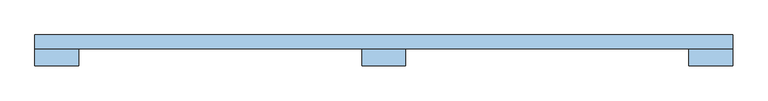
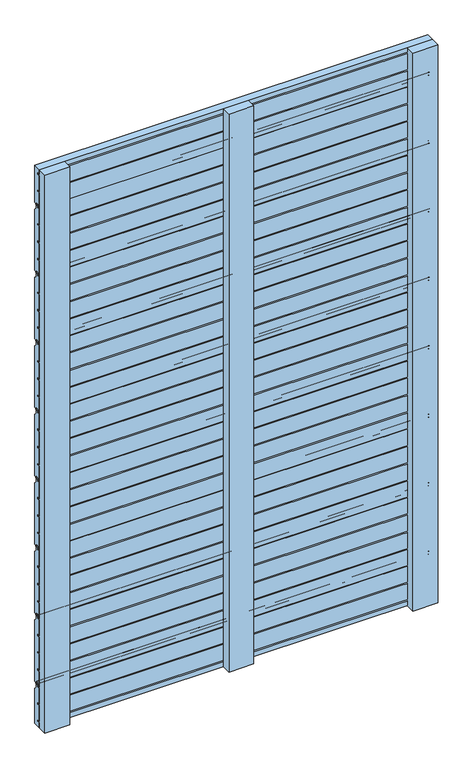
"""IFC4 building model written with IfcOpenShell, lengths in millimetres: window geometry."""

from ifc_helpers import new_model, si_unit, point, frame, frame_2d, origin, place, context, project, spatial, polyline, circle_curve, trimmed, segment, composite_curve, outline, extrude, source, transform, mapped, element, save


def window_07ca0ef8(model_context):
    return source(origin(), model_context, "Body", "SweptSolid", [
        extrude(outline(composite_curve([segment(trimmed(circle_curve(frame_2d((35.5, 208.9478782)), 1.0), [point((36.5, 208.9478782))], [point((35.5, 207.9478782))], False, "CARTESIAN"), True, "CONTINUOUS"), segment(polyline([(35.5, 207.9478782), (30.5, 207.9478782), (30.5, 250.3167895), (36.5, 250.3167895), (36.5, 253.8167895), (30.5, 253.8167895), (30.5, 296.8778597), (36.5, 296.8778597), (36.5, 300.3778597), (30.5, 300.3778597), (30.5, 343.4389298), (36.5, 343.4389298), (36.5, 346.9389298), (30.5, 346.9389298), (30.5, 390.0), (37.0, 390.0), (37.0, 396.5)]), True, "CONTINUOUS"), segment(trimmed(circle_curve(frame_2d((38.5, 396.5)), 1.5), [point((37.0, 396.5))], [point((38.5, 398.0))], False, "CARTESIAN"), True, "CONTINUOUS"), segment(polyline([(38.5, 398.0), (41.5, 398.0)]), True, "CONTINUOUS"), segment(trimmed(circle_curve(frame_2d((41.5, 396.5)), 1.5), [point((41.5, 398.0))], [point((43.0, 396.5))], False, "CARTESIAN"), True, "CONTINUOUS"), segment(polyline([(43.0, 396.5), (43.0, 385.4142136)]), True, "CONTINUOUS"), segment(trimmed(circle_curve(frame_2d((44.0, 385.4142136)), 1.0), [point((43.0, 385.4142136))], [point((43.2928932, 384.7071068))], True, "CARTESIAN"), True, "CONTINUOUS"), segment(polyline([(43.2928932, 384.7071068), (49.5606602, 378.4393398)]), True, "CONTINUOUS"), segment(trimmed(circle_curve(frame_2d((48.5, 377.3786797)), 1.5), [point((49.5606602, 378.4393398))], [point((50.0, 377.3786797))], False, "CARTESIAN"), True, "CONTINUOUS"), segment(polyline([(50.0, 377.3786797), (50.0, 214.154985)]), True, "CONTINUOUS"), segment(trimmed(circle_curve(frame_2d((48.5, 214.154985)), 1.5), [point((50.0, 214.154985))], [point((49.5606602, 213.0943248))], False, "CARTESIAN"), True, "CONTINUOUS"), segment(polyline([(49.5606602, 213.0943248), (44.7071068, 208.2407714)]), True, "CONTINUOUS"), segment(trimmed(circle_curve(frame_2d((44.0, 208.9478782)), 1.0), [point((44.7071068, 208.2407714))], [point((43.0, 208.9478782))], False, "CARTESIAN"), True, "CONTINUOUS"), segment(polyline([(43.0, 208.9478782), (43.0, 215.4478782)]), True, "CONTINUOUS"), segment(trimmed(circle_curve(frame_2d((41.5, 215.4478782)), 1.5), [point((43.0, 215.4478782))], [point((41.5, 216.9478782))], True, "CARTESIAN"), True, "CONTINUOUS"), segment(polyline([(41.5, 216.9478782), (38.0, 216.9478782)]), True, "CONTINUOUS"), segment(trimmed(circle_curve(frame_2d((38.0, 215.4478782)), 1.5), [point((38.0, 216.9478782))], [point((36.5, 215.4478782))], True, "CARTESIAN"), True, "CONTINUOUS"), segment(polyline([(36.5, 215.4478782), (36.5, 208.9478782)]), True, "CONTINUOUS")], self_intersect=False)), frame((-500.0, 0.0, 0.0), z_axis=(1.0, 0.0, 0.0), x_axis=(0.0, 1.0, 0.0)), (0.0, 0.0, 1.0), 1000.0),
        extrude(outline(composite_curve([segment(trimmed(circle_curve(frame_2d((35.5, 392.9478782)), 1.0), [point((36.5, 392.9478782))], [point((35.5, 391.9478782))], False, "CARTESIAN"), True, "CONTINUOUS"), segment(polyline([(35.5, 391.9478782), (30.5, 391.9478782), (30.5, 434.3167895), (36.5, 434.3167895), (36.5, 437.8167895), (30.5, 437.8167895), (30.5, 480.8778597), (36.5, 480.8778597), (36.5, 484.3778597), (30.5, 484.3778597), (30.5, 527.4389298), (36.5, 527.4389298), (36.5, 530.9389298), (30.5, 530.9389298), (30.5, 574.0), (37.0, 574.0), (37.0, 580.5)]), True, "CONTINUOUS"), segment(trimmed(circle_curve(frame_2d((38.5, 580.5)), 1.5), [point((37.0, 580.5))], [point((38.5, 582.0))], False, "CARTESIAN"), True, "CONTINUOUS"), segment(polyline([(38.5, 582.0), (41.5, 582.0)]), True, "CONTINUOUS"), segment(trimmed(circle_curve(frame_2d((41.5, 580.5)), 1.5), [point((41.5, 582.0))], [point((43.0, 580.5))], False, "CARTESIAN"), True, "CONTINUOUS"), segment(polyline([(43.0, 580.5), (43.0, 569.4142136)]), True, "CONTINUOUS"), segment(trimmed(circle_curve(frame_2d((44.0, 569.4142136)), 1.0), [point((43.0, 569.4142136))], [point((43.2928932, 568.7071068))], True, "CARTESIAN"), True, "CONTINUOUS"), segment(polyline([(43.2928932, 568.7071068), (49.5606602, 562.4393398)]), True, "CONTINUOUS"), segment(trimmed(circle_curve(frame_2d((48.5, 561.3786797)), 1.5), [point((49.5606602, 562.4393398))], [point((50.0, 561.3786797))], False, "CARTESIAN"), True, "CONTINUOUS"), segment(polyline([(50.0, 561.3786797), (50.0, 398.154985)]), True, "CONTINUOUS"), segment(trimmed(circle_curve(frame_2d((48.5, 398.154985)), 1.5), [point((50.0, 398.154985))], [point((49.5606602, 397.0943248))], False, "CARTESIAN"), True, "CONTINUOUS"), segment(polyline([(49.5606602, 397.0943248), (44.7071068, 392.2407714)]), True, "CONTINUOUS"), segment(trimmed(circle_curve(frame_2d((44.0, 392.9478782)), 1.0), [point((44.7071068, 392.2407714))], [point((43.0, 392.9478782))], False, "CARTESIAN"), True, "CONTINUOUS"), segment(polyline([(43.0, 392.9478782), (43.0, 399.4478782)]), True, "CONTINUOUS"), segment(trimmed(circle_curve(frame_2d((41.5, 399.4478782)), 1.5), [point((43.0, 399.4478782))], [point((41.5, 400.9478782))], True, "CARTESIAN"), True, "CONTINUOUS"), segment(polyline([(41.5, 400.9478782), (38.0, 400.9478782)]), True, "CONTINUOUS"), segment(trimmed(circle_curve(frame_2d((38.0, 399.4478782)), 1.5), [point((38.0, 400.9478782))], [point((36.5, 399.4478782))], True, "CARTESIAN"), True, "CONTINUOUS"), segment(polyline([(36.5, 399.4478782), (36.5, 392.9478782)]), True, "CONTINUOUS")], self_intersect=False)), frame((-500.0, 0.0, 0.0), z_axis=(1.0, 0.0, 0.0), x_axis=(0.0, 1.0, 0.0)), (0.0, 0.0, 1.0), 1000.0),
        extrude(outline(composite_curve([segment(trimmed(circle_curve(frame_2d((35.5, 576.9478782)), 1.0), [point((36.5, 576.9478782))], [point((35.5, 575.9478782))], False, "CARTESIAN"), True, "CONTINUOUS"), segment(polyline([(35.5, 575.9478782), (30.5, 575.9478782), (30.5, 618.3167895), (36.5, 618.3167895), (36.5, 621.8167895), (30.5, 621.8167895), (30.5, 664.8778597), (36.5, 664.8778597), (36.5, 668.3778597), (30.5, 668.3778597), (30.5, 711.4389298), (36.5, 711.4389298), (36.5, 714.9389298), (30.5, 714.9389298), (30.5, 758.0), (37.0, 758.0), (37.0, 764.5)]), True, "CONTINUOUS"), segment(trimmed(circle_curve(frame_2d((38.5, 764.5)), 1.5), [point((37.0, 764.5))], [point((38.5, 766.0))], False, "CARTESIAN"), True, "CONTINUOUS"), segment(polyline([(38.5, 766.0), (41.5, 766.0)]), True, "CONTINUOUS"), segment(trimmed(circle_curve(frame_2d((41.5, 764.5)), 1.5), [point((41.5, 766.0))], [point((43.0, 764.5))], False, "CARTESIAN"), True, "CONTINUOUS"), segment(polyline([(43.0, 764.5), (43.0, 753.4142136)]), True, "CONTINUOUS"), segment(trimmed(circle_curve(frame_2d((44.0, 753.4142136)), 1.0), [point((43.0, 753.4142136))], [point((43.2928932, 752.7071068))], True, "CARTESIAN"), True, "CONTINUOUS"), segment(polyline([(43.2928932, 752.7071068), (49.5606602, 746.4393398)]), True, "CONTINUOUS"), segment(trimmed(circle_curve(frame_2d((48.5, 745.3786797)), 1.5), [point((49.5606602, 746.4393398))], [point((50.0, 745.3786797))], False, "CARTESIAN"), True, "CONTINUOUS"), segment(polyline([(50.0, 745.3786797), (50.0, 582.154985)]), True, "CONTINUOUS"), segment(trimmed(circle_curve(frame_2d((48.5, 582.154985)), 1.5), [point((50.0, 582.154985))], [point((49.5606602, 581.0943248))], False, "CARTESIAN"), True, "CONTINUOUS"), segment(polyline([(49.5606602, 581.0943248), (44.7071068, 576.2407714)]), True, "CONTINUOUS"), segment(trimmed(circle_curve(frame_2d((44.0, 576.9478782)), 1.0), [point((44.7071068, 576.2407714))], [point((43.0, 576.9478782))], False, "CARTESIAN"), True, "CONTINUOUS"), segment(polyline([(43.0, 576.9478782), (43.0, 583.4478782)]), True, "CONTINUOUS"), segment(trimmed(circle_curve(frame_2d((41.5, 583.4478782)), 1.5), [point((43.0, 583.4478782))], [point((41.5, 584.9478782))], True, "CARTESIAN"), True, "CONTINUOUS"), segment(polyline([(41.5, 584.9478782), (38.0, 584.9478782)]), True, "CONTINUOUS"), segment(trimmed(circle_curve(frame_2d((38.0, 583.4478782)), 1.5), [point((38.0, 584.9478782))], [point((36.5, 583.4478782))], True, "CARTESIAN"), True, "CONTINUOUS"), segment(polyline([(36.5, 583.4478782), (36.5, 576.9478782)]), True, "CONTINUOUS")], self_intersect=False)), frame((-500.0, 0.0, 0.0), z_axis=(1.0, 0.0, 0.0), x_axis=(0.0, 1.0, 0.0)), (0.0, 0.0, 1.0), 1000.0),
        extrude(outline(composite_curve([segment(trimmed(circle_curve(frame_2d((35.5, 760.9478782)), 1.0), [point((36.5, 760.9478782))], [point((35.5, 759.9478782))], False, "CARTESIAN"), True, "CONTINUOUS"), segment(polyline([(35.5, 759.9478782), (30.5, 759.9478782), (30.5, 802.3167895), (36.5, 802.3167895), (36.5, 805.8167895), (30.5, 805.8167895), (30.5, 848.8778597), (36.5, 848.8778597), (36.5, 852.3778597), (30.5, 852.3778597), (30.5, 895.4389298), (36.5, 895.4389298), (36.5, 898.9389298), (30.5, 898.9389298), (30.5, 942.0), (37.0, 942.0), (37.0, 948.5)]), True, "CONTINUOUS"), segment(trimmed(circle_curve(frame_2d((38.5, 948.5)), 1.5), [point((37.0, 948.5))], [point((38.5, 950.0))], False, "CARTESIAN"), True, "CONTINUOUS"), segment(polyline([(38.5, 950.0), (41.5, 950.0)]), True, "CONTINUOUS"), segment(trimmed(circle_curve(frame_2d((41.5, 948.5)), 1.5), [point((41.5, 950.0))], [point((43.0, 948.5))], False, "CARTESIAN"), True, "CONTINUOUS"), segment(polyline([(43.0, 948.5), (43.0, 937.4142136)]), True, "CONTINUOUS"), segment(trimmed(circle_curve(frame_2d((44.0, 937.4142136)), 1.0), [point((43.0, 937.4142136))], [point((43.2928932, 936.7071068))], True, "CARTESIAN"), True, "CONTINUOUS"), segment(polyline([(43.2928932, 936.7071068), (49.5606602, 930.4393398)]), True, "CONTINUOUS"), segment(trimmed(circle_curve(frame_2d((48.5, 929.3786797)), 1.5), [point((49.5606602, 930.4393398))], [point((50.0, 929.3786797))], False, "CARTESIAN"), True, "CONTINUOUS"), segment(polyline([(50.0, 929.3786797), (50.0, 766.154985)]), True, "CONTINUOUS"), segment(trimmed(circle_curve(frame_2d((48.5, 766.154985)), 1.5), [point((50.0, 766.154985))], [point((49.5606602, 765.0943248))], False, "CARTESIAN"), True, "CONTINUOUS"), segment(polyline([(49.5606602, 765.0943248), (44.7071068, 760.2407714)]), True, "CONTINUOUS"), segment(trimmed(circle_curve(frame_2d((44.0, 760.9478782)), 1.0), [point((44.7071068, 760.2407714))], [point((43.0, 760.9478782))], False, "CARTESIAN"), True, "CONTINUOUS"), segment(polyline([(43.0, 760.9478782), (43.0, 767.4478782)]), True, "CONTINUOUS"), segment(trimmed(circle_curve(frame_2d((41.5, 767.4478782)), 1.5), [point((43.0, 767.4478782))], [point((41.5, 768.9478782))], True, "CARTESIAN"), True, "CONTINUOUS"), segment(polyline([(41.5, 768.9478782), (38.0, 768.9478782)]), True, "CONTINUOUS"), segment(trimmed(circle_curve(frame_2d((38.0, 767.4478782)), 1.5), [point((38.0, 768.9478782))], [point((36.5, 767.4478782))], True, "CARTESIAN"), True, "CONTINUOUS"), segment(polyline([(36.5, 767.4478782), (36.5, 760.9478782)]), True, "CONTINUOUS")], self_intersect=False)), frame((-500.0, 0.0, 0.0), z_axis=(1.0, 0.0, 0.0), x_axis=(0.0, 1.0, 0.0)), (0.0, 0.0, 1.0), 1000.0),
        extrude(outline(composite_curve([segment(trimmed(circle_curve(frame_2d((35.5, 944.9478782)), 1.0), [point((36.5, 944.9478782))], [point((35.5, 943.9478782))], False, "CARTESIAN"), True, "CONTINUOUS"), segment(polyline([(35.5, 943.9478782), (30.5, 943.9478782), (30.5, 986.3167895), (36.5, 986.3167895), (36.5, 989.8167895), (30.5, 989.8167895), (30.5, 1032.8778597), (36.5, 1032.8778597), (36.5, 1036.3778597), (30.5, 1036.3778597), (30.5, 1079.4389298), (36.5, 1079.4389298), (36.5, 1082.9389298), (30.5, 1082.9389298), (30.5, 1126.0), (37.0, 1126.0), (37.0, 1132.5)]), True, "CONTINUOUS"), segment(trimmed(circle_curve(frame_2d((38.5, 1132.5)), 1.5), [point((37.0, 1132.5))], [point((38.5, 1134.0))], False, "CARTESIAN"), True, "CONTINUOUS"), segment(polyline([(38.5, 1134.0), (41.5, 1134.0)]), True, "CONTINUOUS"), segment(trimmed(circle_curve(frame_2d((41.5, 1132.5)), 1.5), [point((41.5, 1134.0))], [point((43.0, 1132.5))], False, "CARTESIAN"), True, "CONTINUOUS"), segment(polyline([(43.0, 1132.5), (43.0, 1121.4142136)]), True, "CONTINUOUS"), segment(trimmed(circle_curve(frame_2d((44.0, 1121.4142136)), 1.0), [point((43.0, 1121.4142136))], [point((43.2928932, 1120.7071068))], True, "CARTESIAN"), True, "CONTINUOUS"), segment(polyline([(43.2928932, 1120.7071068), (49.5606602, 1114.4393398)]), True, "CONTINUOUS"), segment(trimmed(circle_curve(frame_2d((48.5, 1113.3786797)), 1.5), [point((49.5606602, 1114.4393398))], [point((50.0, 1113.3786797))], False, "CARTESIAN"), True, "CONTINUOUS"), segment(polyline([(50.0, 1113.3786797), (50.0, 950.154985)]), True, "CONTINUOUS"), segment(trimmed(circle_curve(frame_2d((48.5, 950.154985)), 1.5), [point((50.0, 950.154985))], [point((49.5606602, 949.0943248))], False, "CARTESIAN"), True, "CONTINUOUS"), segment(polyline([(49.5606602, 949.0943248), (44.7071068, 944.2407714)]), True, "CONTINUOUS"), segment(trimmed(circle_curve(frame_2d((44.0, 944.9478782)), 1.0), [point((44.7071068, 944.2407714))], [point((43.0, 944.9478782))], False, "CARTESIAN"), True, "CONTINUOUS"), segment(polyline([(43.0, 944.9478782), (43.0, 951.4478782)]), True, "CONTINUOUS"), segment(trimmed(circle_curve(frame_2d((41.5, 951.4478782)), 1.5), [point((43.0, 951.4478782))], [point((41.5, 952.9478782))], True, "CARTESIAN"), True, "CONTINUOUS"), segment(polyline([(41.5, 952.9478782), (38.0, 952.9478782)]), True, "CONTINUOUS"), segment(trimmed(circle_curve(frame_2d((38.0, 951.4478782)), 1.5), [point((38.0, 952.9478782))], [point((36.5, 951.4478782))], True, "CARTESIAN"), True, "CONTINUOUS"), segment(polyline([(36.5, 951.4478782), (36.5, 944.9478782)]), True, "CONTINUOUS")], self_intersect=False)), frame((-500.0, 0.0, 0.0), z_axis=(1.0, 0.0, 0.0), x_axis=(0.0, 1.0, 0.0)), (0.0, 0.0, 1.0), 1000.0),
        extrude(outline(composite_curve([segment(trimmed(circle_curve(frame_2d((35.5, 1128.9478782)), 1.0), [point((36.5, 1128.9478782))], [point((35.5, 1127.9478782))], False, "CARTESIAN"), True, "CONTINUOUS"), segment(polyline([(35.5, 1127.9478782), (30.5, 1127.9478782), (30.5, 1170.3167895), (36.5, 1170.3167895), (36.5, 1173.8167895), (30.5, 1173.8167895), (30.5, 1216.8778597), (36.5, 1216.8778597), (36.5, 1220.3778597), (30.5, 1220.3778597), (30.5, 1263.4389298), (36.5, 1263.4389298), (36.5, 1266.9389298), (30.5, 1266.9389298), (30.5, 1310.0), (37.0, 1310.0), (37.0, 1316.5)]), True, "CONTINUOUS"), segment(trimmed(circle_curve(frame_2d((38.5, 1316.5)), 1.5), [point((37.0, 1316.5))], [point((38.5, 1318.0))], False, "CARTESIAN"), True, "CONTINUOUS"), segment(polyline([(38.5, 1318.0), (41.5, 1318.0)]), True, "CONTINUOUS"), segment(trimmed(circle_curve(frame_2d((41.5, 1316.5)), 1.5), [point((41.5, 1318.0))], [point((43.0, 1316.5))], False, "CARTESIAN"), True, "CONTINUOUS"), segment(polyline([(43.0, 1316.5), (43.0, 1305.4142136)]), True, "CONTINUOUS"), segment(trimmed(circle_curve(frame_2d((44.0, 1305.4142136)), 1.0), [point((43.0, 1305.4142136))], [point((43.2928932, 1304.7071068))], True, "CARTESIAN"), True, "CONTINUOUS"), segment(polyline([(43.2928932, 1304.7071068), (49.5606602, 1298.4393398)]), True, "CONTINUOUS"), segment(trimmed(circle_curve(frame_2d((48.5, 1297.3786797)), 1.5), [point((49.5606602, 1298.4393398))], [point((50.0, 1297.3786797))], False, "CARTESIAN"), True, "CONTINUOUS"), segment(polyline([(50.0, 1297.3786797), (50.0, 1134.154985)]), True, "CONTINUOUS"), segment(trimmed(circle_curve(frame_2d((48.5, 1134.154985)), 1.5), [point((50.0, 1134.154985))], [point((49.5606602, 1133.0943248))], False, "CARTESIAN"), True, "CONTINUOUS"), segment(polyline([(49.5606602, 1133.0943248), (44.7071068, 1128.2407714)]), True, "CONTINUOUS"), segment(trimmed(circle_curve(frame_2d((44.0, 1128.9478782)), 1.0), [point((44.7071068, 1128.2407714))], [point((43.0, 1128.9478782))], False, "CARTESIAN"), True, "CONTINUOUS"), segment(polyline([(43.0, 1128.9478782), (43.0, 1135.4478782)]), True, "CONTINUOUS"), segment(trimmed(circle_curve(frame_2d((41.5, 1135.4478782)), 1.5), [point((43.0, 1135.4478782))], [point((41.5, 1136.9478782))], True, "CARTESIAN"), True, "CONTINUOUS"), segment(polyline([(41.5, 1136.9478782), (38.0, 1136.9478782)]), True, "CONTINUOUS"), segment(trimmed(circle_curve(frame_2d((38.0, 1135.4478782)), 1.5), [point((38.0, 1136.9478782))], [point((36.5, 1135.4478782))], True, "CARTESIAN"), True, "CONTINUOUS"), segment(polyline([(36.5, 1135.4478782), (36.5, 1128.9478782)]), True, "CONTINUOUS")], self_intersect=False)), frame((-500.0, 0.0, 0.0), z_axis=(1.0, 0.0, 0.0), x_axis=(0.0, 1.0, 0.0)), (0.0, 0.0, 1.0), 1000.0),
        extrude(outline(composite_curve([segment(trimmed(circle_curve(frame_2d((35.5, 1312.9478782)), 1.0), [point((36.5, 1312.9478782))], [point((35.5, 1311.9478782))], False, "CARTESIAN"), True, "CONTINUOUS"), segment(polyline([(35.5, 1311.9478782), (30.5, 1311.9478782), (30.5, 1354.3167895), (36.5, 1354.3167895), (36.5, 1357.8167895), (30.5, 1357.8167895), (30.5, 1400.8778597), (36.5, 1400.8778597), (36.5, 1404.3778597), (30.5, 1404.3778597), (30.5, 1447.4389298), (36.5, 1447.4389298), (36.5, 1450.9389298), (30.5, 1450.9389298), (30.5, 1494.0), (37.0, 1494.0), (37.0, 1500.5)]), True, "CONTINUOUS"), segment(trimmed(circle_curve(frame_2d((38.5, 1500.5)), 1.5), [point((37.0, 1500.5))], [point((38.5, 1502.0))], False, "CARTESIAN"), True, "CONTINUOUS"), segment(polyline([(38.5, 1502.0), (41.5, 1502.0)]), True, "CONTINUOUS"), segment(trimmed(circle_curve(frame_2d((41.5, 1500.5)), 1.5), [point((41.5, 1502.0))], [point((43.0, 1500.5))], False, "CARTESIAN"), True, "CONTINUOUS"), segment(polyline([(43.0, 1500.5), (43.0, 1489.4142136)]), True, "CONTINUOUS"), segment(trimmed(circle_curve(frame_2d((44.0, 1489.4142136)), 1.0), [point((43.0, 1489.4142136))], [point((43.2928932, 1488.7071068))], True, "CARTESIAN"), True, "CONTINUOUS"), segment(polyline([(43.2928932, 1488.7071068), (49.5606602, 1482.4393398)]), True, "CONTINUOUS"), segment(trimmed(circle_curve(frame_2d((48.5, 1481.3786797)), 1.5), [point((49.5606602, 1482.4393398))], [point((50.0, 1481.3786797))], False, "CARTESIAN"), True, "CONTINUOUS"), segment(polyline([(50.0, 1481.3786797), (50.0, 1318.154985)]), True, "CONTINUOUS"), segment(trimmed(circle_curve(frame_2d((48.5, 1318.154985)), 1.5), [point((50.0, 1318.154985))], [point((49.5606602, 1317.0943248))], False, "CARTESIAN"), True, "CONTINUOUS"), segment(polyline([(49.5606602, 1317.0943248), (44.7071068, 1312.2407714)]), True, "CONTINUOUS"), segment(trimmed(circle_curve(frame_2d((44.0, 1312.9478782)), 1.0), [point((44.7071068, 1312.2407714))], [point((43.0, 1312.9478782))], False, "CARTESIAN"), True, "CONTINUOUS"), segment(polyline([(43.0, 1312.9478782), (43.0, 1319.4478782)]), True, "CONTINUOUS"), segment(trimmed(circle_curve(frame_2d((41.5, 1319.4478782)), 1.5), [point((43.0, 1319.4478782))], [point((41.5, 1320.9478782))], True, "CARTESIAN"), True, "CONTINUOUS"), segment(polyline([(41.5, 1320.9478782), (38.0, 1320.9478782)]), True, "CONTINUOUS"), segment(trimmed(circle_curve(frame_2d((38.0, 1319.4478782)), 1.5), [point((38.0, 1320.9478782))], [point((36.5, 1319.4478782))], True, "CARTESIAN"), True, "CONTINUOUS"), segment(polyline([(36.5, 1319.4478782), (36.5, 1312.9478782)]), True, "CONTINUOUS")], self_intersect=False)), frame((-500.0, 0.0, 0.0), z_axis=(1.0, 0.0, 0.0), x_axis=(0.0, 1.0, 0.0)), (0.0, 0.0, 1.0), 1000.0),
        extrude(outline(composite_curve([segment(trimmed(circle_curve(frame_2d((48.5, 193.3786797)), 1.5), [point((49.5606602, 194.4393398))], [point((50.0, 193.3786797))], False, "CARTESIAN"), True, "CONTINUOUS"), segment(polyline([(50.0, 193.3786797), (50.0, 100.0), (30.5, 100.0), (30.5, 112.8778597), (36.5, 112.8778597), (36.5, 116.3778597), (30.5, 116.3778597), (30.5, 159.4389298), (36.5, 159.4389298), (36.5, 162.9389298), (30.5, 162.9389298), (30.5, 206.0), (37.0, 206.0), (37.0, 212.5)]), True, "CONTINUOUS"), segment(trimmed(circle_curve(frame_2d((38.5, 212.5)), 1.5), [point((37.0, 212.5))], [point((38.5, 214.0))], False, "CARTESIAN"), True, "CONTINUOUS"), segment(polyline([(38.5, 214.0), (41.5, 214.0)]), True, "CONTINUOUS"), segment(trimmed(circle_curve(frame_2d((41.5, 212.5)), 1.5), [point((41.5, 214.0))], [point((43.0, 212.5))], False, "CARTESIAN"), True, "CONTINUOUS"), segment(polyline([(43.0, 212.5), (43.0, 201.4142136)]), True, "CONTINUOUS"), segment(trimmed(circle_curve(frame_2d((44.0, 201.4142136)), 1.0), [point((43.0, 201.4142136))], [point((43.2928932, 200.7071068))], True, "CARTESIAN"), True, "CONTINUOUS"), segment(polyline([(43.2928932, 200.7071068), (49.5606602, 194.4393398)]), True, "CONTINUOUS")], self_intersect=False)), frame((-500.0, 0.0, 0.0), z_axis=(1.0, 0.0, 0.0), x_axis=(0.0, 1.0, 0.0)), (0.0, 0.0, 1.0), 1000.0),
        extrude(outline(composite_curve([segment(trimmed(circle_curve(frame_2d((35.5, 1496.0)), 1.0), [point((36.5, 1496.0))], [point((35.5, 1495.0))], False, "CARTESIAN"), True, "CONTINUOUS"), segment(polyline([(35.5, 1495.0), (30.5, 1495.0), (30.5, 1537.3689113), (36.5, 1537.3689113), (36.5, 1540.8689113), (30.5, 1540.8689113), (30.5, 1583.9299815), (36.5, 1583.9299815), (36.5, 1587.4299815), (30.5, 1587.4299815), (30.5, 1600.0), (50.0, 1600.0), (50.0, 1501.2071068)]), True, "CONTINUOUS"), segment(trimmed(circle_curve(frame_2d((48.5, 1501.2071068)), 1.5), [point((50.0, 1501.2071068))], [point((49.5606602, 1500.1464466))], False, "CARTESIAN"), True, "CONTINUOUS"), segment(polyline([(49.5606602, 1500.1464466), (44.7071068, 1495.2928932)]), True, "CONTINUOUS"), segment(trimmed(circle_curve(frame_2d((44.0, 1496.0)), 1.0), [point((44.7071068, 1495.2928932))], [point((43.0, 1496.0))], False, "CARTESIAN"), True, "CONTINUOUS"), segment(polyline([(43.0, 1496.0), (43.0, 1502.5)]), True, "CONTINUOUS"), segment(trimmed(circle_curve(frame_2d((41.5, 1502.5)), 1.5), [point((43.0, 1502.5))], [point((41.5, 1504.0))], True, "CARTESIAN"), True, "CONTINUOUS"), segment(polyline([(41.5, 1504.0), (38.0, 1504.0)]), True, "CONTINUOUS"), segment(trimmed(circle_curve(frame_2d((38.0, 1502.5)), 1.5), [point((38.0, 1504.0))], [point((36.5, 1502.5))], True, "CARTESIAN"), True, "CONTINUOUS"), segment(polyline([(36.5, 1502.5), (36.5, 1496.0)]), True, "CONTINUOUS")], self_intersect=False)), frame((-500.0, 0.0, 0.0), z_axis=(1.0, 0.0, 0.0), x_axis=(0.0, 1.0, 0.0)), (0.0, 0.0, 1.0), 1000.0),
        extrude(outline(polyline([(-31.5, 30.1), (31.5, 30.1), (31.5, 6.1), (-31.5, 6.1), (-31.5, 30.1)])), frame((0.0, 0.0, 100.0), z_axis=(0.0, 0.0, 1.0), x_axis=(1.0, 0.0, 0.0)), (0.0, 0.0, 1.0), 1500.0),
        extrude(outline(polyline([(-500.0, 30.0), (-437.0, 30.0), (-437.0, 6.0), (-500.0, 6.0), (-500.0, 30.0)])), frame((0.0, 0.0, 100.0), z_axis=(0.0, 0.0, 1.0), x_axis=(1.0, 0.0, 0.0)), (0.0, 0.0, 1.0), 1500.0),
        extrude(outline(polyline([(437.0, 30.0), (500.0, 30.0), (500.0, 6.0), (437.0, 6.0), (437.0, 30.0)])), frame((0.0, 0.0, 100.0), z_axis=(0.0, 0.0, 1.0), x_axis=(1.0, 0.0, 0.0)), (0.0, 0.0, 1.0), 1500.0),
    ])


if __name__ == "__main__":
    model = new_model("IFC4")
    model_context = context("Model", 3, world=origin())
    ifc_project = project(units=[si_unit("LENGTHUNIT", "METRE", prefix="MILLI")], contexts=[model_context])
    site = spatial("IfcSite", under=ifc_project)
    building = spatial("IfcBuilding", under=site)
    placement = place(None, origin())
    window_shape = window_07ca0ef8(model_context)
    element("IfcWindow", 1, at=placement, inside=building, context=model_context, shape_type="MappedRepresentation", body=[
        mapped(window_shape, transform((0.0, 0.0, 0.0), x_axis=(1.0, 0.0, 0.0), y_axis=(0.0, 1.0, 0.0), z_axis=(0.0, 0.0, 1.0))),
    ])
    save(model, "model.ifc")
